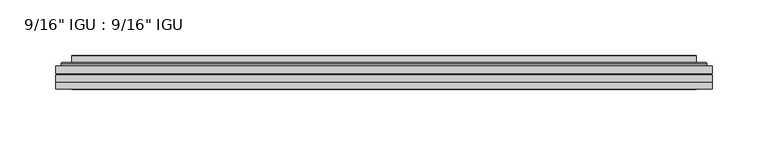
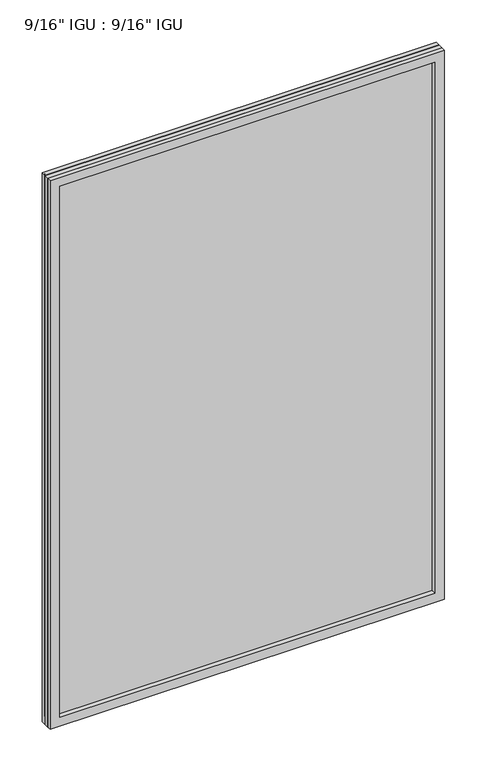
"""IFC4 building model written with IfcOpenShell, lengths in millimetres: plate geometry."""

from ifc_helpers import new_model, si_unit, frame, origin, place, context, project, spatial, polyline, ellipse_curve, outline, extrude, faceted_brep, source, transform, mapped, element, save
from ifc_brep_helpers import plane_surface, cylinder_surface, advanced_brep


def plate_b8c1f883(model_context):
    return source(origin(), model_context, "Body", "SolidModel", [
        extrude(outline(polyline([(295.3105814, -54.78145), (295.3105814, -61.1317818), (-295.2964064, -61.1317818), (-295.2964064, -54.78145), (295.3105814, -54.78145)])), frame((0.0, 0.0, -14.2875), z_axis=(0.0, 0.0, 1.0), x_axis=(1.0, 0.0, 0.0)), (0.0, 0.0, 1.0), 869.9537979),
        extrude(outline(polyline([(-295.2964064, -69.05625), (-295.2964064, -62.705745), (295.3105814, -62.705745), (295.3105814, -69.05625), (-295.2964064, -69.05625)])), frame((0.0, 0.0, -14.2875), z_axis=(0.0, 0.0, 1.0), x_axis=(1.0, 0.0, 0.0)), (0.0, 0.0, 1.0), 869.9537979),
        faceted_brep([(-295.3091064, -75.40625, 855.6752), (-295.3091064, -69.05625, 855.6752), (-295.3091064, -69.05625, -14.3002), (-295.3091064, -75.40625, -14.3002), (295.3091064, -69.05625, -14.3002), (295.3091064, -75.40625, -14.3002), (295.3091064, -69.05625, 855.6752), (295.3091064, -75.40625, 855.6752), (-280.1111623, -69.05625, 0.8977441), (280.1111623, -69.05625, 0.8977441), (280.1111623, -69.05625, 840.4772559), (-280.1111623, -69.05625, 840.4772559), (-281.0035966, -75.40625, 841.3696902), (281.0035966, -75.40625, 841.3696902), (281.0035966, -75.40625, 0.0053098), (-281.0035966, -75.40625, 0.0053098)], [[[0, 1, 2, 3]], [[3, 2, 4, 5]], [[5, 4, 6, 7]], [[1, 6, 4, 2], [8, 9, 10, 11]], [[7, 6, 1, 0]], [[3, 5, 7, 0], [12, 13, 14, 15]], [[11, 12, 15, 8]], [[8, 15, 14, 9]], [[9, 14, 13, 10]], [[10, 13, 12, 11]]]),
        advanced_brep(
        [(-288.0551255, -54.78145, 848.421219), (-290.4093308, -52.7917833, 850.7754244), (-290.4093308, -52.7917833, -9.4004244), (-288.0551255, -54.78145, -7.046219), (-278.9808003, -50.941413, 839.3468939), (-274.0459685, -54.78145, 834.4120621), (-274.0459685, -54.78145, 6.9629379), (-278.9808003, -50.941413, 2.0281061), (-280.0128281, -45.5441819, 840.3789217), (-280.0128281, -45.5441819, 0.9960783), (-281.0034849, -45.1452069, 841.3695784), (-281.0034849, -45.1452069, 0.0054216), (-281.0034849, -51.60645, 841.3695784), (-281.0034849, -51.60645, 0.0054216), (-289.4075413, -51.60645, 849.7736349), (-289.4075413, -51.60645, -8.3986349), (290.4093308, -52.7917833, -9.4004244), (288.0551255, -54.78145, -7.046219), (274.0459685, -54.78145, 6.9629379), (278.9808003, -50.941413, 2.0281061), (280.0128281, -45.5441819, 0.9960783), (281.0034849, -45.1452069, 0.0054216), (281.0034849, -51.60645, 0.0054216), (289.4075413, -51.60645, -8.3986349), (290.4093308, -52.7917833, 850.7754244), (288.0551255, -54.78145, 848.421219), (274.0459685, -54.78145, 834.4120621), (278.9808003, -50.941413, 839.3468939), (280.0128281, -45.5441819, 840.3789217), (281.0034849, -45.1452069, 841.3695784), (281.0034849, -51.60645, 841.3695784), (289.4075413, -51.60645, 849.7736349)],
        [
            (0, 1, ellipse_curve(frame((-288.0551255, -52.39385, 848.421219), z_axis=(-0.7071067811865475, 0.0, -0.7071067811865475), x_axis=(-0.7071067811865474, 0.0, 0.7071067811865476)), 3.3765763, 2.3876)),
            (1, 2),
            (2, 3, ellipse_curve(frame((-288.0551255, -52.39385, -7.046219), z_axis=(-0.7071067811865475, 0.0, 0.7071067811865475), x_axis=(0.7071067811865474, 0.0, 0.7071067811865476)), 3.3765763, 2.3876)),
            (3, 0),
            (4, 5),
            (5, 6),
            (6, 7),
            (7, 4),
            (8, 4),
            (7, 9),
            (9, 8),
            (10, 8, ellipse_curve(frame((-280.6365283, -45.6634423, 841.0026219), z_axis=(-0.7071067811865475, 0.0, -0.7071067811865475), x_axis=(-0.7071067811865474, 0.0, 0.7071067811865476)), 0.8980256, 0.635)),
            (9, 11, ellipse_curve(frame((-280.6365283, -45.6634423, 0.3723781), z_axis=(-0.7071067811865475, 0.0, 0.7071067811865475), x_axis=(0.7071067811865474, 0.0, 0.7071067811865476)), 0.8980256, 0.635)),
            (11, 10),
            (12, 10),
            (11, 13),
            (13, 12),
            (1, 14, ellipse_curve(frame((-289.4075413, -52.62245, 849.7736349), z_axis=(-0.7071067811865475, 0.0, -0.7071067811865475), x_axis=(-0.7071067811865474, 0.0, 0.7071067811865476)), 1.436841, 1.016)),
            (14, 15),
            (15, 2, ellipse_curve(frame((-289.4075413, -52.62245, -8.3986349), z_axis=(-0.7071067811865475, 0.0, 0.7071067811865475), x_axis=(0.7071067811865474, 0.0, 0.7071067811865476)), 1.436841, 1.016)),
            (2, 16),
            (16, 17, ellipse_curve(frame((288.0551255, -52.39385, -7.046219), z_axis=(-0.7071067811865475, 0.0, -0.7071067811865475), x_axis=(-0.7071067811865476, 0.0, 0.7071067811865474)), 3.3765763, 2.3876)),
            (17, 3),
            (6, 18),
            (18, 19),
            (19, 7),
            (19, 20),
            (20, 9),
            (20, 21, ellipse_curve(frame((280.6365283, -45.6634423, 0.3723781), z_axis=(-0.7071067811865475, 0.0, -0.7071067811865475), x_axis=(-0.7071067811865476, 0.0, 0.7071067811865474)), 0.8980256, 0.635)),
            (21, 11),
            (21, 22),
            (22, 13),
            (15, 23),
            (23, 16, ellipse_curve(frame((289.4075413, -52.62245, -8.3986349), z_axis=(-0.7071067811865475, 0.0, -0.7071067811865475), x_axis=(-0.7071067811865476, 0.0, 0.7071067811865474)), 1.436841, 1.016)),
            (16, 24),
            (24, 25, ellipse_curve(frame((288.0551255, -52.39385, 848.421219), z_axis=(0.7071067811865475, 0.0, -0.7071067811865475), x_axis=(-0.7071067811865474, 0.0, -0.7071067811865476)), 3.3765763, 2.3876)),
            (25, 17),
            (18, 26),
            (26, 27),
            (27, 19),
            (27, 28),
            (28, 20),
            (28, 29, ellipse_curve(frame((280.6365283, -45.6634423, 841.0026219), z_axis=(0.7071067811865475, 0.0, -0.7071067811865475), x_axis=(-0.7071067811865474, 0.0, -0.7071067811865476)), 0.8980256, 0.635)),
            (29, 21),
            (29, 30),
            (30, 22),
            (23, 31),
            (31, 24, ellipse_curve(frame((289.4075413, -52.62245, 849.7736349), z_axis=(0.7071067811865475, 0.0, -0.7071067811865475), x_axis=(-0.7071067811865474, 0.0, -0.7071067811865476)), 1.436841, 1.016)),
            (24, 1),
            (0, 25),
            (5, 26),
            (4, 27),
            (8, 28),
            (10, 29),
            (12, 30),
            (14, 31),
        ],
        [
            cylinder_surface(frame((-288.0551255, -52.39385, 873.125), z_axis=(0.0, 0.0, 1.0), x_axis=(-1.0, 0.0, 0.0)), 2.3876),
            plane_surface(frame((-274.0459685, -54.78145, 834.4120621), z_axis=(0.6141233906514794, 0.7892100234124821, 0.0), x_axis=(0.0, 0.0, -1.0))),
            plane_surface(frame((-278.9808003, -50.941413, 839.3468939), z_axis=(0.9822050625507728, 0.18781164793386088, 0.0), x_axis=(0.0, 0.0, -1.0))),
            cylinder_surface(frame((-280.6365283, -45.6634423, 873.125), z_axis=(0.0, 0.0, 1.0), x_axis=(-1.0, 0.0, 0.0)), 0.635),
            plane_surface(frame((-281.0034849, -45.1452069, 841.3695784), z_axis=(-1.0, 0.0, 0.0), x_axis=(0.0, 0.0, -1.0))),
            cylinder_surface(frame((-289.4075413, -52.62245, 873.125), z_axis=(0.0, 0.0, 1.0), x_axis=(-1.0, 0.0, 0.0)), 1.016),
            cylinder_surface(frame((-312.7589064, -52.39385, -7.046219), z_axis=(-1.0, 0.0, 0.0), x_axis=(0.0, 0.0, -1.0)), 2.3876),
            plane_surface(frame((-274.0459685, -54.78145, 6.9629379), z_axis=(0.0, 0.7892100234124841, 0.6141233906514768), x_axis=(1.0, 0.0, 0.0))),
            plane_surface(frame((-278.9808003, -50.941413, 2.0281061), z_axis=(0.0, 0.18781164793386404, 0.9822050625507722), x_axis=(1.0, 0.0, 0.0))),
            cylinder_surface(frame((-312.7589064, -45.6634423, 0.3723781), z_axis=(-1.0, 0.0, 0.0), x_axis=(0.0, 0.0, -1.0)), 0.635),
            plane_surface(frame((-281.0034849, -45.1452069, 0.0054216), z_axis=(0.0, 0.0, -1.0), x_axis=(1.0, 0.0, 0.0))),
            cylinder_surface(frame((-312.7589064, -52.62245, -8.3986349), z_axis=(-1.0, 0.0, 0.0), x_axis=(0.0, 0.0, -1.0)), 1.016),
            cylinder_surface(frame((288.0551255, -52.39385, -31.75), z_axis=(0.0, 0.0, -1.0), x_axis=(1.0, 0.0, 0.0)), 2.3876),
            plane_surface(frame((274.0459685, -54.78145, 6.9629379), z_axis=(-0.6141233906514743, 0.7892100234124861, 0.0), x_axis=(0.0, 0.0, 1.0))),
            plane_surface(frame((278.9808003, -50.941413, 2.0281061), z_axis=(-0.9822050625507717, 0.1878116479338672, 0.0), x_axis=(0.0, 0.0, 1.0))),
            cylinder_surface(frame((280.6365283, -45.6634423, -31.75), z_axis=(0.0, 0.0, -1.0), x_axis=(1.0, 0.0, 0.0)), 0.635),
            plane_surface(frame((281.0034849, -45.1452069, 0.0054216), z_axis=(1.0, 0.0, 0.0), x_axis=(0.0, 0.0, 1.0))),
            cylinder_surface(frame((289.4075413, -52.62245, -31.75), z_axis=(0.0, 0.0, -1.0), x_axis=(1.0, 0.0, 0.0)), 1.016),
            cylinder_surface(frame((312.7589064, -52.39385, 848.421219), z_axis=(1.0, 0.0, 0.0), x_axis=(0.0, 0.0, 1.0)), 2.3876),
            plane_surface(frame((288.0551255, -54.78145, 848.421219), z_axis=(0.0, -1.0, 0.0), x_axis=(-1.0, 0.0, 0.0))),
            plane_surface(frame((274.0459685, -54.78145, 834.4120621), z_axis=(0.0, 0.7892100234124841, -0.6141233906514768), x_axis=(-1.0, 0.0, 0.0))),
            plane_surface(frame((278.9808003, -50.941413, 839.3468939), z_axis=(0.0, 0.18781164793386404, -0.9822050625507722), x_axis=(-1.0, 0.0, 0.0))),
            cylinder_surface(frame((312.7589064, -45.6634423, 841.0026219), z_axis=(1.0, 0.0, 0.0), x_axis=(0.0, 0.0, 1.0)), 0.635),
            plane_surface(frame((281.0034849, -45.1452069, 841.3695784), z_axis=(0.0, 0.0, 1.0), x_axis=(-1.0, 0.0, 0.0))),
            plane_surface(frame((281.0034849, -51.60645, 841.3695784), z_axis=(0.0, 1.0, 0.0), x_axis=(-1.0, 0.0, 0.0))),
            cylinder_surface(frame((312.7589064, -52.62245, 849.7736349), z_axis=(1.0, 0.0, 0.0), x_axis=(0.0, 0.0, 1.0)), 1.016),
        ],
        [
            (0, [[1, 2, 3, 4]]),
            (1, [[5, 6, 7, 8]]),
            (2, [[9, -8, 10, 11]]),
            (3, [[12, -11, 13, 14]]),
            (4, [[15, -14, 16, 17]]),
            (5, [[18, 19, 20, -2]]),
            (6, [[-3, 21, 22, 23]]),
            (7, [[-7, 24, 25, 26]]),
            (8, [[-10, -26, 27, 28]]),
            (9, [[-13, -28, 29, 30]]),
            (10, [[-16, -30, 31, 32]]),
            (11, [[-20, 33, 34, -21]]),
            (12, [[-22, 35, 36, 37]]),
            (13, [[-25, 38, 39, 40]]),
            (14, [[-27, -40, 41, 42]]),
            (15, [[-29, -42, 43, 44]]),
            (16, [[-31, -44, 45, 46]]),
            (17, [[-34, 47, 48, -35]]),
            (18, [[-36, 49, -1, 50]]),
            (19, [[-23, -37, -50, -4], [51, -38, -24, -6]]),
            (20, [[-39, -51, -5, 52]]),
            (21, [[-41, -52, -9, 53]]),
            (22, [[-43, -53, -12, 54]]),
            (23, [[-45, -54, -15, 55]]),
            (24, [[56, -47, -33, -19], [-32, -46, -55, -17]]),
            (25, [[-48, -56, -18, -49]]),
        ],
    ),
    ])


if __name__ == "__main__":
    model = new_model("IFC4")
    model_context = context("Model", 3, world=origin())
    ifc_project = project(units=[si_unit("LENGTHUNIT", "METRE", prefix="MILLI")], contexts=[model_context])
    site = spatial("IfcSite", under=ifc_project)
    building = spatial("IfcBuilding", under=site)
    placement = place(None, origin())
    plate_shape = plate_b8c1f883(model_context)
    element("IfcPlate", 1, ObjectType="9/16\" IGU : 9/16\" IGU", at=placement, inside=building, context=model_context, shape_type="MappedRepresentation", body=[
        mapped(plate_shape, transform((0.0, 0.0, 0.0), x_axis=(1.0, 0.0, 0.0), y_axis=(0.0, 1.0, 0.0), z_axis=(0.0, 0.0, 1.0))),
    ])
    save(model, "model.ifc")
